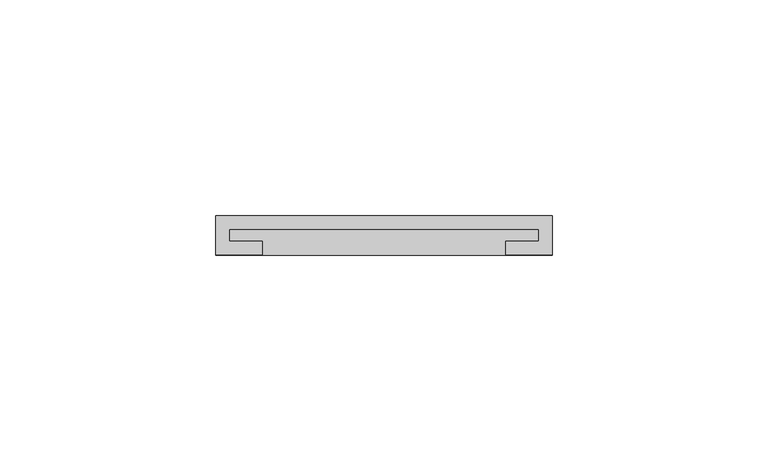
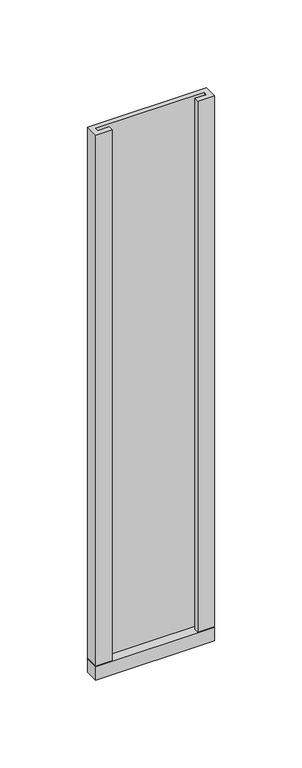
"""IFC4 building model written with IfcOpenShell, lengths in millimetres: furniture geometry."""

from ifc_helpers import new_model, si_unit, frame, origin, place, context, project, spatial, polyline, outline, extrude, source, transform, mapped, element, save


def furniture_8a137c8e(model_context):
    return source(origin(), model_context, "Body", "SweptSolid", [
        extrude(outline(polyline([(-39.0921875, 29.9735875), (-39.0921875, 39.0921875), (39.0921875, 39.0921875), (39.0921875, 29.9735875), (-39.0921875, 29.9735875)])), frame((0.0, 0.0, 1050.925), z_axis=(0.0, 0.0, 1.0), x_axis=(1.0, 0.0, 0.0)), (0.0, 0.0, 1.0), 9.525),
        extrude(outline(polyline([(-39.0921875, 29.9735875), (-39.0921875, 39.0921875), (39.0921875, 39.0921875), (39.0921875, 29.9735875), (28.2971875, 29.9735875), (28.2971875, 33.1485875), (35.9171875, 33.1485875), (35.9171875, 35.9171875), (-35.9171875, 35.9171875), (-35.9171875, 33.1485875), (-28.2971875, 33.1485875), (-28.2971875, 29.9735875), (-39.0921875, 29.9735875)])), frame((0.0, 0.0, 1060.45), z_axis=(0.0, 0.0, 1.0), x_axis=(1.0, 0.0, 0.0)), (0.0, 0.0, 1.0), 369.7882813),
    ])


if __name__ == "__main__":
    model = new_model("IFC4")
    model_context = context("Model", 3, world=origin())
    ifc_project = project(units=[si_unit("LENGTHUNIT", "METRE", prefix="MILLI")], contexts=[model_context])
    site = spatial("IfcSite", under=ifc_project)
    building = spatial("IfcBuilding", under=site)
    placement = place(None, origin())
    furniture_shape = furniture_8a137c8e(model_context)
    element("IfcFurniture", 1, at=placement, inside=building, context=model_context, shape_type="MappedRepresentation", body=[
        mapped(furniture_shape, transform((0.0, 0.0, 0.0), x_axis=(1.0, 0.0, 0.0), y_axis=(0.0, 1.0, 0.0), z_axis=(0.0, 0.0, 1.0))),
    ])
    save(model, "model.ifc")
